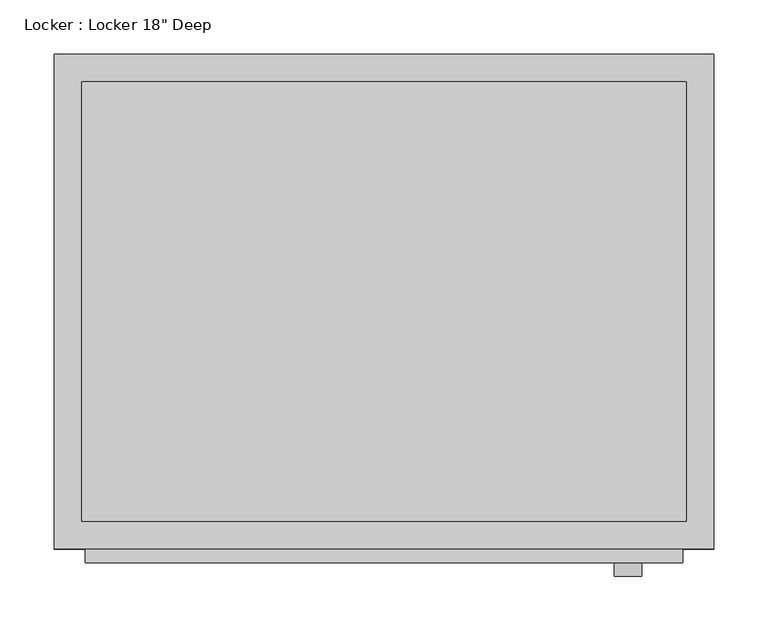
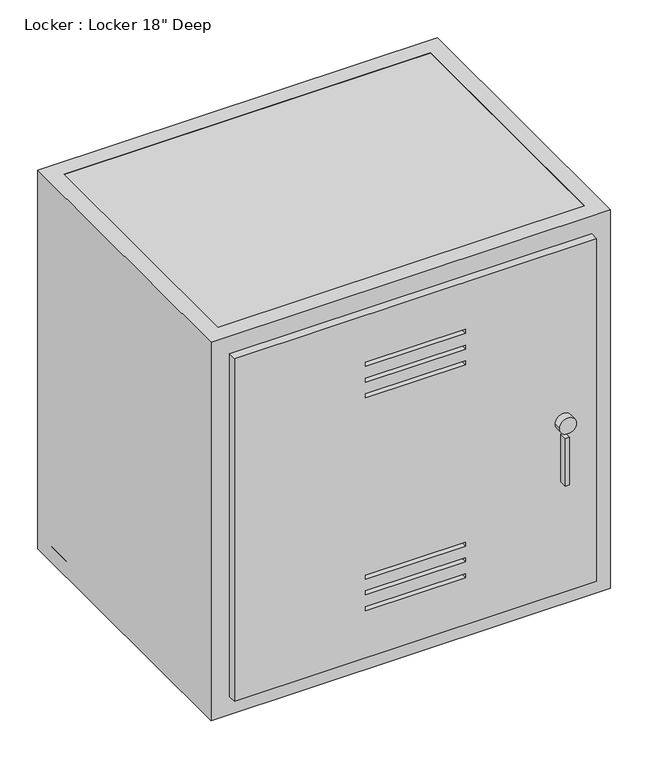
"""IFC4 building model written with IfcOpenShell, lengths in millimetres: proxy geometry."""

from ifc_helpers import new_model, si_unit, point, frame, frame_2d, origin, origin_with_axes, place, context, project, spatial, polyline, circle_curve, trimmed, segment, composite_curve, outline, extrude, faceted_brep, source, transform, mapped, element, save


def proxy_10961a96(model_context):
    return source(origin(), model_context, "Body", "SolidModel", [
        extrude(outline(polyline([(581.025, 581.025), (581.025, 28.575), (28.575, 28.575), (28.575, 581.025), (581.025, 581.025)]), holes=[polyline([(504.825, 381.0), (498.475, 381.0), (498.475, 228.6), (504.825, 228.6), (504.825, 381.0)]), polyline([(479.425, 381.0), (473.075, 381.0), (473.075, 228.6), (479.425, 228.6), (479.425, 381.0)]), polyline([(454.025, 381.0), (447.675, 381.0), (447.675, 228.6), (454.025, 228.6), (454.025, 381.0)]), polyline([(111.125, 228.6), (111.125, 381.0), (104.775, 381.0), (104.775, 228.6), (111.125, 228.6)]), polyline([(136.525, 228.6), (136.525, 381.0), (130.175, 381.0), (130.175, 228.6), (136.525, 228.6)]), polyline([(161.925, 228.6), (161.925, 381.0), (155.575, 381.0), (155.575, 228.6), (161.925, 228.6)])]), frame((0.0, -12.7, 0.0), z_axis=(0.0, 1.0, 0.0), x_axis=(0.0, 0.0, 1.0)), (0.0, 0.0, 1.0), 12.7),
        faceted_brep([(609.6, 0.0, 609.6), (609.6, 457.2, 609.6), (0.0, 457.2, 609.6), (0.0, 0.0, 609.6), (25.4, 25.4, 609.6), (25.4, 431.8, 609.6), (584.2, 431.8, 609.6), (584.2, 25.4, 609.6), (609.6, 0.0, 0.0), (0.0, 0.0, 0.0), (0.0, 457.2, 0.0), (609.6, 457.2, 0.0), (25.4, 25.4, 0.0), (584.2, 25.4, 0.0), (584.2, 431.8, 0.0), (25.4, 431.8, 0.0), (381.0, 0.0, 504.825), (381.0, 0.0, 498.475), (228.6, 0.0, 498.475), (228.6, 0.0, 504.825), (381.0, 0.0, 479.425), (381.0, 0.0, 473.075), (228.6, 0.0, 473.075), (228.6, 0.0, 479.425), (381.0, 0.0, 454.025), (381.0, 0.0, 447.675), (228.6, 0.0, 447.675), (228.6, 0.0, 454.025), (228.6, 0.0, 111.125), (381.0, 0.0, 111.125), (381.0, 0.0, 104.775), (228.6, 0.0, 104.775), (228.6, 0.0, 136.525), (381.0, 0.0, 136.525), (381.0, 0.0, 130.175), (228.6, 0.0, 130.175), (228.6, 0.0, 161.925), (381.0, 0.0, 161.925), (381.0, 0.0, 155.575), (228.6, 0.0, 155.575), (381.0, 25.4, 498.475), (381.0, 25.4, 504.825), (228.6, 25.4, 504.825), (228.6, 25.4, 498.475), (381.0, 25.4, 473.075), (381.0, 25.4, 479.425), (228.6, 25.4, 479.425), (228.6, 25.4, 473.075), (381.0, 25.4, 447.675), (381.0, 25.4, 454.025), (228.6, 25.4, 454.025), (228.6, 25.4, 447.675), (381.0, 25.4, 111.125), (228.6, 25.4, 111.125), (228.6, 25.4, 104.775), (381.0, 25.4, 104.775), (381.0, 25.4, 136.525), (228.6, 25.4, 136.525), (228.6, 25.4, 130.175), (381.0, 25.4, 130.175), (381.0, 25.4, 161.925), (228.6, 25.4, 161.925), (228.6, 25.4, 155.575), (381.0, 25.4, 155.575)], [[[0, 1, 2, 3], [4, 5, 6, 7]], [[8, 9, 10, 11], [12, 13, 14, 15]], [[1, 0, 8, 11]], [[2, 1, 11, 10]], [[3, 2, 10, 9]], [[0, 3, 9, 8], [16, 17, 18, 19], [20, 21, 22, 23], [24, 25, 26, 27], [28, 29, 30, 31], [32, 33, 34, 35], [36, 37, 38, 39]], [[5, 4, 12, 15]], [[6, 5, 15, 14]], [[7, 6, 14, 13]], [[4, 7, 13, 12], [40, 41, 42, 43], [44, 45, 46, 47], [48, 49, 50, 51], [52, 53, 54, 55], [56, 57, 58, 59], [60, 61, 62, 63]], [[40, 17, 16, 41]], [[41, 16, 19, 42]], [[42, 19, 18, 43]], [[17, 40, 43, 18]], [[44, 21, 20, 45]], [[45, 20, 23, 46]], [[46, 23, 22, 47]], [[21, 44, 47, 22]], [[48, 25, 24, 49]], [[49, 24, 27, 50]], [[50, 27, 26, 51]], [[25, 48, 51, 26]], [[52, 29, 28, 53]], [[53, 28, 31, 54]], [[54, 31, 30, 55]], [[29, 52, 55, 30]], [[56, 33, 32, 57]], [[57, 32, 35, 58]], [[58, 35, 34, 59]], [[33, 56, 59, 34]], [[60, 37, 36, 61]], [[61, 36, 39, 62]], [[62, 39, 38, 63]], [[37, 60, 63, 38]]]),
        extrude(outline(composite_curve([segment(trimmed(circle_curve(frame_2d((304.8, 530.225)), 12.7), [point((304.8, 517.525))], [point((304.8, 542.925))], False, "CARTESIAN"), True, "CONTINUOUS"), segment(trimmed(circle_curve(frame_2d((304.8, 530.225)), 12.7), [point((304.8, 542.925))], [point((304.8, 517.525))], False, "CARTESIAN"), True, "CONTINUOUS")], self_intersect=False)), frame((0.0, -25.4, 0.0), z_axis=(0.0, 1.0, 0.0), x_axis=(0.0, 0.0, 1.0)), (0.0, 0.0, 1.0), 25.4),
        extrude(outline(polyline([(532.5246157, -25.4), (526.1746157, -25.4), (526.1746157, 0.0), (532.5246157, 0.0), (532.5246157, -25.4)])), frame((0.0, 0.0, 209.1880316), z_axis=(0.0, 0.0, 1.0), x_axis=(1.0, 0.0, 0.0)), (0.0, 0.0, 1.0), 76.2),
        extrude(outline(polyline([(609.6, 457.2), (609.6, 0.0), (0.0, 0.0), (0.0, 457.2), (609.6, 457.2)])), frame((0.0, 0.0, 584.2), z_axis=(0.0, 0.0, 1.0), x_axis=(1.0, 0.0, 0.0)), (0.0, 0.0, 1.0), 25.4),
        extrude(outline(polyline([(609.6, 0.0), (0.0, 0.0), (0.0, 457.2), (609.6, 457.2), (609.6, 0.0)])), origin_with_axes(), (0.0, 0.0, 1.0), 25.4),
    ])


if __name__ == "__main__":
    model = new_model("IFC4")
    model_context = context("Model", 3, world=origin())
    ifc_project = project(units=[si_unit("LENGTHUNIT", "METRE", prefix="MILLI")], contexts=[model_context])
    site = spatial("IfcSite", under=ifc_project)
    building = spatial("IfcBuilding", under=site)
    placement = place(None, origin())
    proxy_shape = proxy_10961a96(model_context)
    element("IfcBuildingElementProxy", 1, Name="Locker : Locker 18\" Deep", ObjectType="Locker : Locker 18\" Deep", at=placement, inside=building, context=model_context, shape_type="MappedRepresentation", body=[
        mapped(proxy_shape, transform((0.0, 0.0, 0.0), x_axis=(1.0, 0.0, 0.0), y_axis=(0.0, 1.0, 0.0), z_axis=(0.0, 0.0, 1.0))),
    ])
    save(model, "model.ifc")
